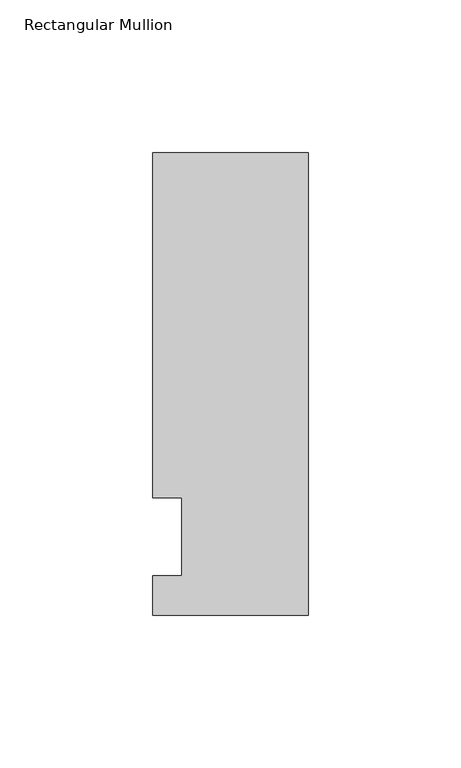
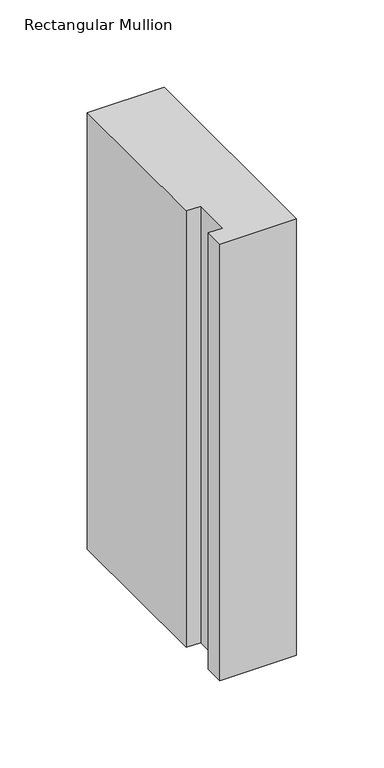
"""IFC4 building model written with IfcOpenShell, lengths in millimetres: member geometry, Rectangular Mullion."""

import ifcopenshell
import ifcopenshell.guid

model = None  # the IFC model being written
_history = None  # IfcOwnerHistory: only IFC2X3 demands one
_inside = {}  # id of a spatial element -> (the spatial element, [elements in it])
_under = {}  # id of a project, library or spatial element -> (it, [spatial elements below it])
_declared = {}  # id of a project -> (the project, [libraries it declares])
_typed = {}  # id of a type object -> (the type object, [elements of that type])
_made_of = {}  # id of a material, layer set ... -> (it, [elements and type objects made of it])


def new_model(schema):
    """Start an empty IFC model of exactly this schema.

    Asked for "IFC4X3", IfcOpenShell would pick the latest addendum, in which some entities
    have other attributes; the version numbers below select the first issue.
    IFC2X3 requires an IfcOwnerHistory on every rooted entity: one is made here for all.
    """
    global model, _history
    if schema == "IFC4X3":
        model = ifcopenshell.file(schema_version=(4, 3, 0, 0))
    else:
        model = ifcopenshell.file(schema=schema)
    _inside.clear()
    _under.clear()
    _declared.clear()
    _typed.clear()
    _made_of.clear()
    _history = None
    if model.schema == "IFC2X3":
        org = make("IfcOrganization", Name="unknown")
        user = make(
            "IfcPersonAndOrganization",
            ThePerson=make("IfcPerson", FamilyName="unknown"),
            TheOrganization=org,
        )
        app = make(
            "IfcApplication",
            ApplicationDeveloper=org,
            Version="unknown",
            ApplicationFullName="unknown",
            ApplicationIdentifier="unknown",
        )
        _history = make(
            "IfcOwnerHistory",
            OwningUser=user,
            OwningApplication=app,
            ChangeAction="ADDED",
            CreationDate=0,
        )
    return model


def make(cls, **values):
    """One entity of the class cls with the attributes given. An attribute that is None is left unset."""
    return model.create_entity(
        cls, **{name: value for name, value in values.items() if value is not None}
    )


def rooted(cls, **values):
    """An entity with a GlobalId (a new one), such as an element, a storey or a relation."""
    return make(cls, GlobalId=ifcopenshell.guid.new(), OwnerHistory=_history, **values)


def si_unit(unit_type, name, prefix=None):
    """IfcSIUnit, for example si_unit("LENGTHUNIT", "METRE", prefix="MILLI")."""
    return make("IfcSIUnit", UnitType=unit_type, Prefix=prefix, Name=name)


def assignment(units):
    """IfcUnitAssignment: the units of a project."""
    return None if units is None else make("IfcUnitAssignment", Units=units)


def point(xyz):
    """IfcCartesianPoint."""
    return None if xyz is None else make("IfcCartesianPoint", Coordinates=xyz)


def direction(xyz):
    """IfcDirection."""
    return None if xyz is None else make("IfcDirection", DirectionRatios=xyz)


def frame(location, z_axis=None, x_axis=None):
    """IfcAxis2Placement3D, a coordinate frame: its origin and axes. An axis left out is left unset."""
    return make(
        "IfcAxis2Placement3D",
        Location=point(location),
        Axis=direction(z_axis),
        RefDirection=direction(x_axis),
    )


def origin():
    """The frame at (0, 0, 0) with its axes left unset."""
    return frame((0.0, 0.0, 0.0))


def place(relative_to, where):
    """IfcLocalPlacement: puts the frame where relative to a parent placement (None: the world)."""
    return make(
        "IfcLocalPlacement", PlacementRelTo=relative_to, RelativePlacement=where
    )


def context(
    kind, dimensions, precision=None, world=None, true_north=None, identifier=None
):
    """IfcGeometricRepresentationContext, for example the 3D "Model" context."""
    return make(
        "IfcGeometricRepresentationContext",
        ContextIdentifier=identifier,
        ContextType=kind,
        CoordinateSpaceDimension=dimensions,
        Precision=precision,
        WorldCoordinateSystem=world,
        TrueNorth=true_north,
    )


def project(units=None, contexts=None):
    """IfcProject with its units and contexts."""
    return rooted(
        "IfcProject",
        Name="project",
        RepresentationContexts=contexts,
        UnitsInContext=assignment(units),
    )


def spatial(cls, under=None, at=None, **own):
    """A site, building, storey or space (cls), placed at a placement, below another one or the project."""
    s = rooted(cls, ObjectPlacement=at, **own)
    if under is not None:
        _under.setdefault(under.id(), (under, []))[1].append(s)
    return s


def polyline(points):
    """IfcPolyline through the points."""
    return make("IfcPolyline", Points=[point(p) for p in points])


def outline(outer, holes=None, kind="AREA"):
    """IfcArbitraryClosedProfileDef: a profile drawn as a closed curve; with holes, ...WithVoids."""
    if holes is None:
        return make("IfcArbitraryClosedProfileDef", ProfileType=kind, OuterCurve=outer)
    return make(
        "IfcArbitraryProfileDefWithVoids",
        ProfileType=kind,
        OuterCurve=outer,
        InnerCurves=holes,
    )


def extrude(swept, where, along, depth):
    """IfcExtrudedAreaSolid: the profile swept, set in the frame where, extruded along a direction by depth."""
    return make(
        "IfcExtrudedAreaSolid",
        SweptArea=swept,
        Position=where,
        ExtrudedDirection=direction(along),
        Depth=depth,
    )


def shape(context_of_items, identifier, shape_type, items):
    """IfcShapeRepresentation: the items that make up one representation, for example the "Body"."""
    return make(
        "IfcShapeRepresentation",
        ContextOfItems=context_of_items,
        RepresentationIdentifier=identifier,
        RepresentationType=shape_type,
        Items=items,
    )


def source(mapping_origin, context_of_items, identifier, shape_type, items):
    """IfcRepresentationMap: a shape defined once, which mapped items show again and again."""
    return make(
        "IfcRepresentationMap",
        MappingOrigin=mapping_origin,
        MappedRepresentation=shape(context_of_items, identifier, shape_type, items),
    )


def transform(
    local_origin,
    x_axis=None,
    y_axis=None,
    z_axis=None,
    scale=None,
    scale2=None,
    scale3=None,
    uniform=True,
):
    """IfcCartesianTransformationOperator3D, or its non-uniform kind. x_axis, y_axis, z_axis: its Axis1, 2, 3."""
    if uniform:
        return make(
            "IfcCartesianTransformationOperator3D",
            Axis1=direction(x_axis),
            Axis2=direction(y_axis),
            LocalOrigin=point(local_origin),
            Scale=scale,
            Axis3=direction(z_axis),
        )
    return make(
        "IfcCartesianTransformationOperator3DnonUniform",
        Axis1=direction(x_axis),
        Axis2=direction(y_axis),
        LocalOrigin=point(local_origin),
        Scale=scale,
        Axis3=direction(z_axis),
        Scale2=scale2,
        Scale3=scale3,
    )


def mapped(mapping_source, mapping_target):
    """IfcMappedItem: shows the shape of a source again, moved by a transform."""
    return make(
        "IfcMappedItem", MappingSource=mapping_source, MappingTarget=mapping_target
    )


def made_of(thing, what):
    """Note that an element or type object is made of a material, layer set ...; save() writes the relation."""
    if what is not None:
        _made_of.setdefault(what.id(), (what, []))[1].append(thing)
    return thing


def element(
    cls,
    number,
    at=None,
    inside=None,
    cuts=None,
    type_object=None,
    material=None,
    context=None,
    identifier="Body",
    shape_type=None,
    held_by="IfcProductDefinitionShape",
    body=None,
    shapes=None,
    **own,
):
    """One element of the class cls, such as IfcWall. Its Tag is "e" and its number.

    at: its placement. inside: the storey or other place that contains it. cuts: it is an
    opening in that element (IfcRelVoidsElement). A single representation is given by context,
    identifier, shape_type and body (its items); several are given by shapes. held_by: the class
    of the entity that holds the representations. save() writes the other relations.
    """
    e = rooted(cls, Tag="e%d" % number, ObjectPlacement=at, **own)
    if body is not None:
        shapes = [shape(context, identifier, shape_type, body)]
    if shapes is not None:
        e.Representation = make(held_by, Representations=shapes)
    if inside is not None:
        _inside.setdefault(inside.id(), (inside, []))[1].append(e)
    if cuts is not None:
        rooted(
            "IfcRelVoidsElement", RelatingBuildingElement=cuts, RelatedOpeningElement=e
        )
    if type_object is not None:
        _typed.setdefault(type_object.id(), (type_object, []))[1].append(e)
    return made_of(e, material)


def aggregate(whole, parts):
    """IfcRelAggregates: a whole, such as a stair, and the parts it consists of."""
    return rooted("IfcRelAggregates", RelatingObject=whole, RelatedObjects=parts)


def save(model, path):
    """Write the relations noted so far, then the file.

    IfcRelAggregates (storeys below a building ...), IfcRelContainedInSpatialStructure (elements
    in a storey), IfcRelDefinesByType, IfcRelAssociatesMaterial and IfcRelDeclares: one each for
    every whole, place, type object, material and project.
    """
    for whole, parts in _under.values():
        aggregate(whole, parts)
    for where, things in _inside.values():
        rooted(
            "IfcRelContainedInSpatialStructure",
            RelatedElements=things,
            RelatingStructure=where,
        )
    for kind, things in _typed.values():
        rooted("IfcRelDefinesByType", RelatedObjects=things, RelatingType=kind)
    for what, things in _made_of.values():
        rooted("IfcRelAssociatesMaterial", RelatedObjects=things, RelatingMaterial=what)
    for by, libraries in _declared.values():
        rooted("IfcRelDeclares", RelatingContext=by, RelatedDefinitions=libraries)
    model.write(path)


def rectangular_mullion_9ac7f06a(model_context):
    return source(origin(), model_context, "Body", "SweptSolid", [
        extrude(outline(polyline([(-50.8, -25.5984375), (-50.8, -12.7), (-41.275, -12.7), (-41.275, 12.7), (-50.8, 12.7), (-50.8, 125.6109375), (0.0, 125.6109375), (0.0, -25.5984375), (-50.8, -25.5984375)])), frame((0.0, 0.0, -304.8), z_axis=(0.0, 0.0, 1.0), x_axis=(1.0, 0.0, 0.0)), (0.0, 0.0, 1.0), 304.8),
    ])


if __name__ == "__main__":
    model = new_model("IFC4")
    model_context = context("Model", 3, world=origin())
    ifc_project = project(units=[si_unit("LENGTHUNIT", "METRE", prefix="MILLI")], contexts=[model_context])
    site = spatial("IfcSite", under=ifc_project)
    building = spatial("IfcBuilding", under=site)
    placement = place(None, origin())
    rectangular_mullion_shape = rectangular_mullion_9ac7f06a(model_context)
    element("IfcMember", 1, ObjectType="Rectangular Mullion", at=placement, inside=building, context=model_context, shape_type="MappedRepresentation", body=[
        mapped(rectangular_mullion_shape, transform((0.0, 0.0, 0.0), x_axis=(1.0, 0.0, 0.0), y_axis=(0.0, 1.0, 0.0), z_axis=(0.0, 0.0, 1.0))),
    ])
    save(model, "model.ifc")
